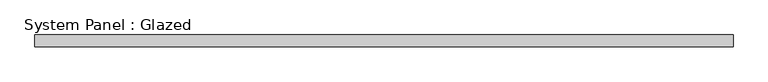
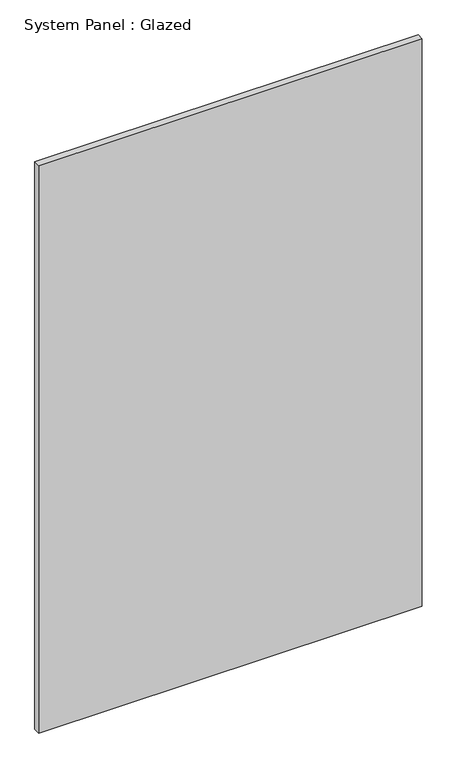
"""IFC4 building model written with IfcOpenShell, lengths in millimetres: plate geometry, System Panel : Glazed."""

from ifc_helpers import new_model, si_unit, origin, origin_with_axes, place, context, project, spatial, polyline, outline, extrude, source, transform, mapped, element, save


def system_panel_glazed_01d78c24(model_context):
    return source(origin(), model_context, "Body", "SweptSolid", [
        extrude(outline(polyline([(743.319283, 24.5), (-743.319283, 24.5), (-743.319283, 49.5), (743.319283, 49.5), (743.319283, 24.5)])), origin_with_axes(), (0.0, 0.0, 1.0), 2325.0),
    ])


if __name__ == "__main__":
    model = new_model("IFC4")
    model_context = context("Model", 3, world=origin())
    ifc_project = project(units=[si_unit("LENGTHUNIT", "METRE", prefix="MILLI")], contexts=[model_context])
    site = spatial("IfcSite", under=ifc_project)
    building = spatial("IfcBuilding", under=site)
    placement = place(None, origin())
    system_panel_glazed_shape = system_panel_glazed_01d78c24(model_context)
    element("IfcPlate", 1, ObjectType="System Panel : Glazed", at=placement, inside=building, context=model_context, shape_type="MappedRepresentation", body=[
        mapped(system_panel_glazed_shape, transform((0.0, 0.0, 0.0), x_axis=(1.0, 0.0, 0.0), y_axis=(0.0, 1.0, 0.0), z_axis=(0.0, 0.0, 1.0))),
    ])
    save(model, "model.ifc")
